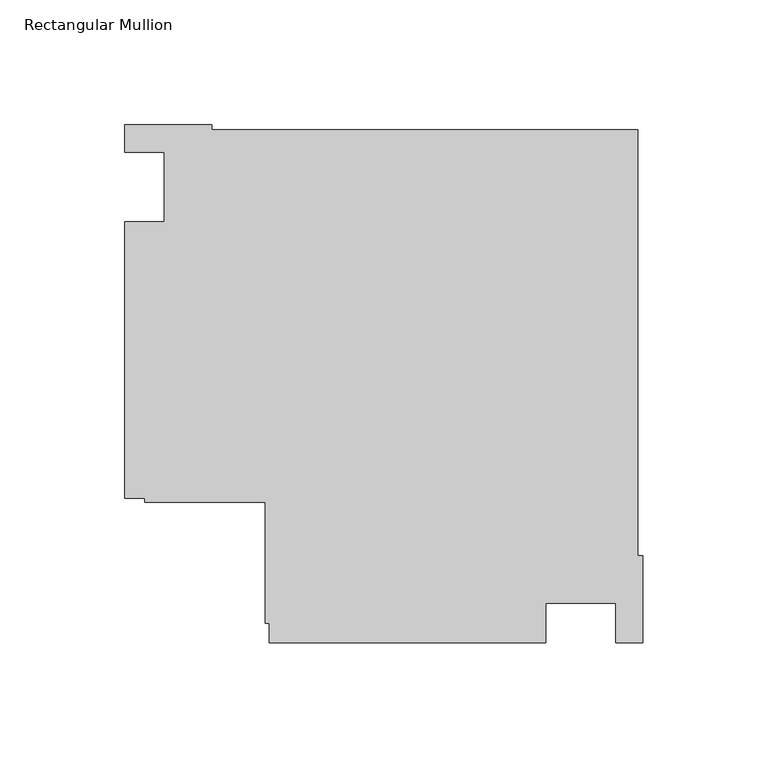
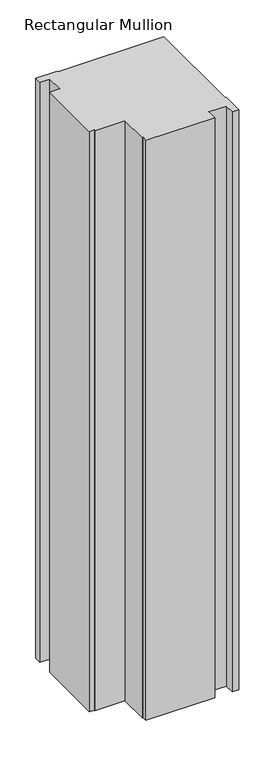
"""IFC4 building model written with IfcOpenShell, lengths in millimetres: member geometry, Rectangular Mullion."""

import ifcopenshell
import ifcopenshell.guid

model = None  # the IFC model being written
_history = None  # IfcOwnerHistory: only IFC2X3 demands one
_inside = {}  # id of a spatial element -> (the spatial element, [elements in it])
_under = {}  # id of a project, library or spatial element -> (it, [spatial elements below it])
_declared = {}  # id of a project -> (the project, [libraries it declares])
_typed = {}  # id of a type object -> (the type object, [elements of that type])
_made_of = {}  # id of a material, layer set ... -> (it, [elements and type objects made of it])


def new_model(schema):
    """Start an empty IFC model of exactly this schema.

    Asked for "IFC4X3", IfcOpenShell would pick the latest addendum, in which some entities
    have other attributes; the version numbers below select the first issue.
    IFC2X3 requires an IfcOwnerHistory on every rooted entity: one is made here for all.
    """
    global model, _history
    if schema == "IFC4X3":
        model = ifcopenshell.file(schema_version=(4, 3, 0, 0))
    else:
        model = ifcopenshell.file(schema=schema)
    _inside.clear()
    _under.clear()
    _declared.clear()
    _typed.clear()
    _made_of.clear()
    _history = None
    if model.schema == "IFC2X3":
        org = make("IfcOrganization", Name="unknown")
        user = make(
            "IfcPersonAndOrganization",
            ThePerson=make("IfcPerson", FamilyName="unknown"),
            TheOrganization=org,
        )
        app = make(
            "IfcApplication",
            ApplicationDeveloper=org,
            Version="unknown",
            ApplicationFullName="unknown",
            ApplicationIdentifier="unknown",
        )
        _history = make(
            "IfcOwnerHistory",
            OwningUser=user,
            OwningApplication=app,
            ChangeAction="ADDED",
            CreationDate=0,
        )
    return model


def make(cls, **values):
    """One entity of the class cls with the attributes given. An attribute that is None is left unset."""
    return model.create_entity(
        cls, **{name: value for name, value in values.items() if value is not None}
    )


def rooted(cls, **values):
    """An entity with a GlobalId (a new one), such as an element, a storey or a relation."""
    return make(cls, GlobalId=ifcopenshell.guid.new(), OwnerHistory=_history, **values)


def si_unit(unit_type, name, prefix=None):
    """IfcSIUnit, for example si_unit("LENGTHUNIT", "METRE", prefix="MILLI")."""
    return make("IfcSIUnit", UnitType=unit_type, Prefix=prefix, Name=name)


def assignment(units):
    """IfcUnitAssignment: the units of a project."""
    return None if units is None else make("IfcUnitAssignment", Units=units)


def point(xyz):
    """IfcCartesianPoint."""
    return None if xyz is None else make("IfcCartesianPoint", Coordinates=xyz)


def direction(xyz):
    """IfcDirection."""
    return None if xyz is None else make("IfcDirection", DirectionRatios=xyz)


def frame(location, z_axis=None, x_axis=None):
    """IfcAxis2Placement3D, a coordinate frame: its origin and axes. An axis left out is left unset."""
    return make(
        "IfcAxis2Placement3D",
        Location=point(location),
        Axis=direction(z_axis),
        RefDirection=direction(x_axis),
    )


def origin():
    """The frame at (0, 0, 0) with its axes left unset."""
    return frame((0.0, 0.0, 0.0))


def place(relative_to, where):
    """IfcLocalPlacement: puts the frame where relative to a parent placement (None: the world)."""
    return make(
        "IfcLocalPlacement", PlacementRelTo=relative_to, RelativePlacement=where
    )


def context(
    kind, dimensions, precision=None, world=None, true_north=None, identifier=None
):
    """IfcGeometricRepresentationContext, for example the 3D "Model" context."""
    return make(
        "IfcGeometricRepresentationContext",
        ContextIdentifier=identifier,
        ContextType=kind,
        CoordinateSpaceDimension=dimensions,
        Precision=precision,
        WorldCoordinateSystem=world,
        TrueNorth=true_north,
    )


def project(units=None, contexts=None):
    """IfcProject with its units and contexts."""
    return rooted(
        "IfcProject",
        Name="project",
        RepresentationContexts=contexts,
        UnitsInContext=assignment(units),
    )


def spatial(cls, under=None, at=None, **own):
    """A site, building, storey or space (cls), placed at a placement, below another one or the project."""
    s = rooted(cls, ObjectPlacement=at, **own)
    if under is not None:
        _under.setdefault(under.id(), (under, []))[1].append(s)
    return s


def polyline(points):
    """IfcPolyline through the points."""
    return make("IfcPolyline", Points=[point(p) for p in points])


def outline(outer, holes=None, kind="AREA"):
    """IfcArbitraryClosedProfileDef: a profile drawn as a closed curve; with holes, ...WithVoids."""
    if holes is None:
        return make("IfcArbitraryClosedProfileDef", ProfileType=kind, OuterCurve=outer)
    return make(
        "IfcArbitraryProfileDefWithVoids",
        ProfileType=kind,
        OuterCurve=outer,
        InnerCurves=holes,
    )


def extrude(swept, where, along, depth):
    """IfcExtrudedAreaSolid: the profile swept, set in the frame where, extruded along a direction by depth."""
    return make(
        "IfcExtrudedAreaSolid",
        SweptArea=swept,
        Position=where,
        ExtrudedDirection=direction(along),
        Depth=depth,
    )


def shape(context_of_items, identifier, shape_type, items):
    """IfcShapeRepresentation: the items that make up one representation, for example the "Body"."""
    return make(
        "IfcShapeRepresentation",
        ContextOfItems=context_of_items,
        RepresentationIdentifier=identifier,
        RepresentationType=shape_type,
        Items=items,
    )


def source(mapping_origin, context_of_items, identifier, shape_type, items):
    """IfcRepresentationMap: a shape defined once, which mapped items show again and again."""
    return make(
        "IfcRepresentationMap",
        MappingOrigin=mapping_origin,
        MappedRepresentation=shape(context_of_items, identifier, shape_type, items),
    )


def transform(
    local_origin,
    x_axis=None,
    y_axis=None,
    z_axis=None,
    scale=None,
    scale2=None,
    scale3=None,
    uniform=True,
):
    """IfcCartesianTransformationOperator3D, or its non-uniform kind. x_axis, y_axis, z_axis: its Axis1, 2, 3."""
    if uniform:
        return make(
            "IfcCartesianTransformationOperator3D",
            Axis1=direction(x_axis),
            Axis2=direction(y_axis),
            LocalOrigin=point(local_origin),
            Scale=scale,
            Axis3=direction(z_axis),
        )
    return make(
        "IfcCartesianTransformationOperator3DnonUniform",
        Axis1=direction(x_axis),
        Axis2=direction(y_axis),
        LocalOrigin=point(local_origin),
        Scale=scale,
        Axis3=direction(z_axis),
        Scale2=scale2,
        Scale3=scale3,
    )


def mapped(mapping_source, mapping_target):
    """IfcMappedItem: shows the shape of a source again, moved by a transform."""
    return make(
        "IfcMappedItem", MappingSource=mapping_source, MappingTarget=mapping_target
    )


def made_of(thing, what):
    """Note that an element or type object is made of a material, layer set ...; save() writes the relation."""
    if what is not None:
        _made_of.setdefault(what.id(), (what, []))[1].append(thing)
    return thing


def element(
    cls,
    number,
    at=None,
    inside=None,
    cuts=None,
    type_object=None,
    material=None,
    context=None,
    identifier="Body",
    shape_type=None,
    held_by="IfcProductDefinitionShape",
    body=None,
    shapes=None,
    **own,
):
    """One element of the class cls, such as IfcWall. Its Tag is "e" and its number.

    at: its placement. inside: the storey or other place that contains it. cuts: it is an
    opening in that element (IfcRelVoidsElement). A single representation is given by context,
    identifier, shape_type and body (its items); several are given by shapes. held_by: the class
    of the entity that holds the representations. save() writes the other relations.
    """
    e = rooted(cls, Tag="e%d" % number, ObjectPlacement=at, **own)
    if body is not None:
        shapes = [shape(context, identifier, shape_type, body)]
    if shapes is not None:
        e.Representation = make(held_by, Representations=shapes)
    if inside is not None:
        _inside.setdefault(inside.id(), (inside, []))[1].append(e)
    if cuts is not None:
        rooted(
            "IfcRelVoidsElement", RelatingBuildingElement=cuts, RelatedOpeningElement=e
        )
    if type_object is not None:
        _typed.setdefault(type_object.id(), (type_object, []))[1].append(e)
    return made_of(e, material)


def aggregate(whole, parts):
    """IfcRelAggregates: a whole, such as a stair, and the parts it consists of."""
    return rooted("IfcRelAggregates", RelatingObject=whole, RelatedObjects=parts)


def save(model, path):
    """Write the relations noted so far, then the file.

    IfcRelAggregates (storeys below a building ...), IfcRelContainedInSpatialStructure (elements
    in a storey), IfcRelDefinesByType, IfcRelAssociatesMaterial and IfcRelDeclares: one each for
    every whole, place, type object, material and project.
    """
    for whole, parts in _under.values():
        aggregate(whole, parts)
    for where, things in _inside.values():
        rooted(
            "IfcRelContainedInSpatialStructure",
            RelatedElements=things,
            RelatingStructure=where,
        )
    for kind, things in _typed.values():
        rooted("IfcRelDefinesByType", RelatedObjects=things, RelatingType=kind)
    for what, things in _made_of.values():
        rooted("IfcRelAssociatesMaterial", RelatedObjects=things, RelatingMaterial=what)
    for by, libraries in _declared.values():
        rooted("IfcRelDeclares", RelatingContext=by, RelatedDefinitions=libraries)
    model.write(path)


def rectangular_mullion_d3f048d5(model_context):
    return source(origin(), model_context, "Body", "SweptSolid", [
        extrude(outline(polyline([(-38.9998882, -182.9914777), (-150.0, -182.9914777), (-150.0, -175.0000025), (-151.6, -175.0000025), (-151.6, -126.6000025), (-200.0, -126.6000025), (-200.0, -125.0000025), (-207.9999976, -125.0000025), (-207.9999976, -13.9998907), (-191.9999976, -13.9998907), (-191.9999976, 13.9997041), (-207.9999976, 13.9997041), (-207.9999976, 25.0), (-172.9999713, 25.0), (-172.9999713, 22.9147834), (-2.0852141, 22.9147834), (-2.0852141, -147.9999738), (0.0, -147.9999738), (0.0, -183.0000001), (-10.996264, -183.0000001), (-10.996264, -166.9914777), (-38.9998882, -166.9914777), (-38.9998882, -182.9914777)])), frame((0.0, 0.0, -990.6595328), z_axis=(0.0, 0.0, 1.0), x_axis=(1.0, 0.0, 0.0)), (0.0, 0.0, 1.0), 990.6595328),
    ])


if __name__ == "__main__":
    model = new_model("IFC4")
    model_context = context("Model", 3, world=origin())
    ifc_project = project(units=[si_unit("LENGTHUNIT", "METRE", prefix="MILLI")], contexts=[model_context])
    site = spatial("IfcSite", under=ifc_project)
    building = spatial("IfcBuilding", under=site)
    placement = place(None, origin())
    rectangular_mullion_shape = rectangular_mullion_d3f048d5(model_context)
    element("IfcMember", 1, ObjectType="Rectangular Mullion", at=placement, inside=building, context=model_context, shape_type="MappedRepresentation", body=[
        mapped(rectangular_mullion_shape, transform((0.0, 0.0, 0.0), x_axis=(1.0, 0.0, 0.0), y_axis=(0.0, 1.0, 0.0), z_axis=(0.0, 0.0, 1.0))),
    ])
    save(model, "model.ifc")
